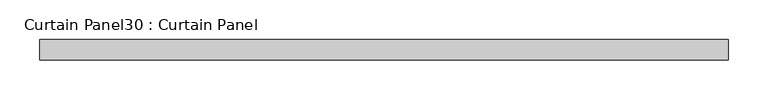
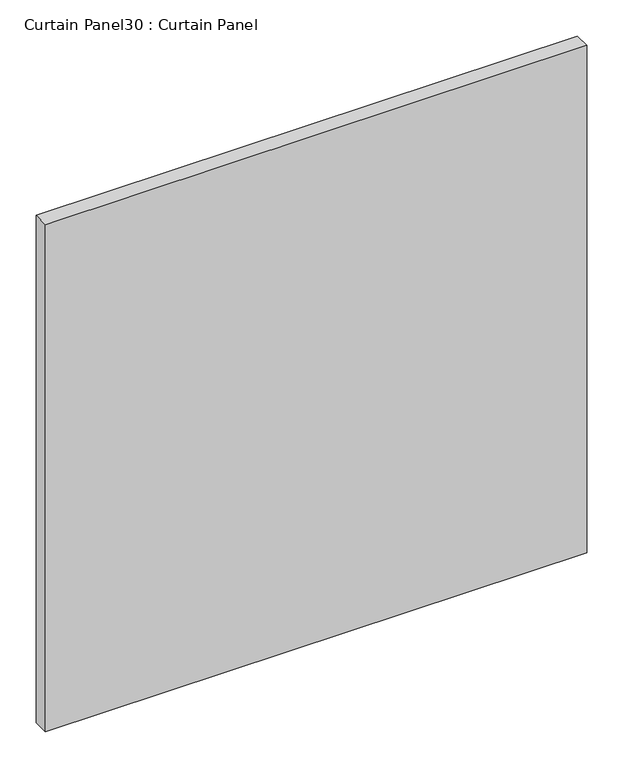
"""IFC4 building model written with IfcOpenShell, lengths in millimetres: plate geometry, Curtain Panel30 : Curtain Panel."""

from ifc_helpers import new_model, si_unit, frame, origin, place, context, project, spatial, polyline, outline, extrude, source, transform, mapped, element, save


def curtain_panel30_curtain_panel_c62d3949(model_context):
    return source(origin(), model_context, "Body", "SweptSolid", [
        extrude(outline(polyline([(75326.8744044, 2539.6865142), (74463.2746308, 2539.6865142), (74463.2746308, 2565.0865142), (75326.8744044, 2565.0865142), (75326.8744044, 2539.6865142)])), frame((0.0, 0.0, 254.0697251), z_axis=(0.0, 0.0, 1.0), x_axis=(1.0, 0.0, 0.0)), (0.0, 0.0, 1.0), 855.842477),
    ])


if __name__ == "__main__":
    model = new_model("IFC4")
    model_context = context("Model", 3, world=origin())
    ifc_project = project(units=[si_unit("LENGTHUNIT", "METRE", prefix="MILLI")], contexts=[model_context])
    site = spatial("IfcSite", under=ifc_project)
    building = spatial("IfcBuilding", under=site)
    placement = place(None, origin())
    curtain_panel30_curtain_panel_shape = curtain_panel30_curtain_panel_c62d3949(model_context)
    element("IfcPlate", 1, ObjectType="Curtain Panel30 : Curtain Panel", at=placement, inside=building, context=model_context, shape_type="MappedRepresentation", body=[
        mapped(curtain_panel30_curtain_panel_shape, transform((0.0, 0.0, 0.0), x_axis=(1.0, 0.0, 0.0), y_axis=(0.0, 1.0, 0.0), z_axis=(0.0, 0.0, 1.0))),
    ])
    save(model, "model.ifc")
